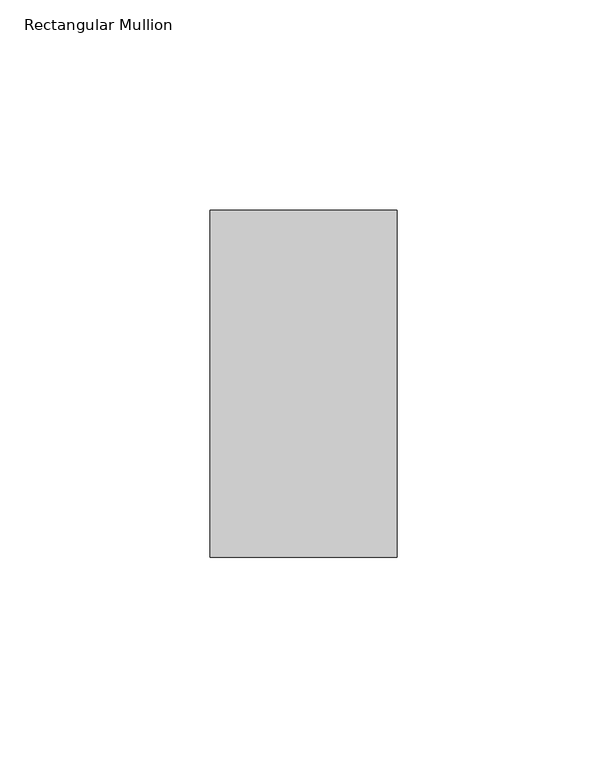
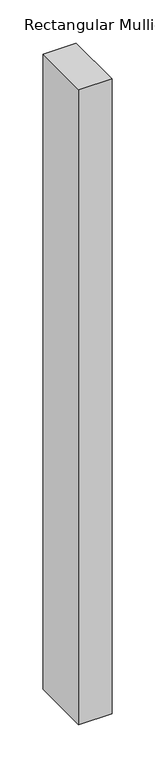
"""IFC4 building model written with IfcOpenShell, lengths in millimetres: member geometry, Rectangular Mullion."""

from ifc_helpers import new_model, si_unit, frame, origin, place, context, project, spatial, polyline, outline, extrude, source, transform, mapped, element, save


def rectangular_mullion_b14f20b8(model_context):
    return source(origin(), model_context, "Body", "SweptSolid", [
        extrude(outline(polyline([(0.0, 49.2125), (0.0, -33.3375), (-44.45, -33.3375), (-44.45, 49.2125), (0.0, 49.2125)])), frame((0.0, 0.0, -898.525), z_axis=(0.0, 0.0, 1.0), x_axis=(1.0, 0.0, 0.0)), (0.0, 0.0, 1.0), 898.525),
    ])


if __name__ == "__main__":
    model = new_model("IFC4")
    model_context = context("Model", 3, world=origin())
    ifc_project = project(units=[si_unit("LENGTHUNIT", "METRE", prefix="MILLI")], contexts=[model_context])
    site = spatial("IfcSite", under=ifc_project)
    building = spatial("IfcBuilding", under=site)
    placement = place(None, origin())
    rectangular_mullion_shape = rectangular_mullion_b14f20b8(model_context)
    element("IfcMember", 1, ObjectType="Rectangular Mullion", at=placement, inside=building, context=model_context, shape_type="MappedRepresentation", body=[
        mapped(rectangular_mullion_shape, transform((0.0, 0.0, 0.0), x_axis=(1.0, 0.0, 0.0), y_axis=(0.0, 1.0, 0.0), z_axis=(0.0, 0.0, 1.0))),
    ])
    save(model, "model.ifc")
